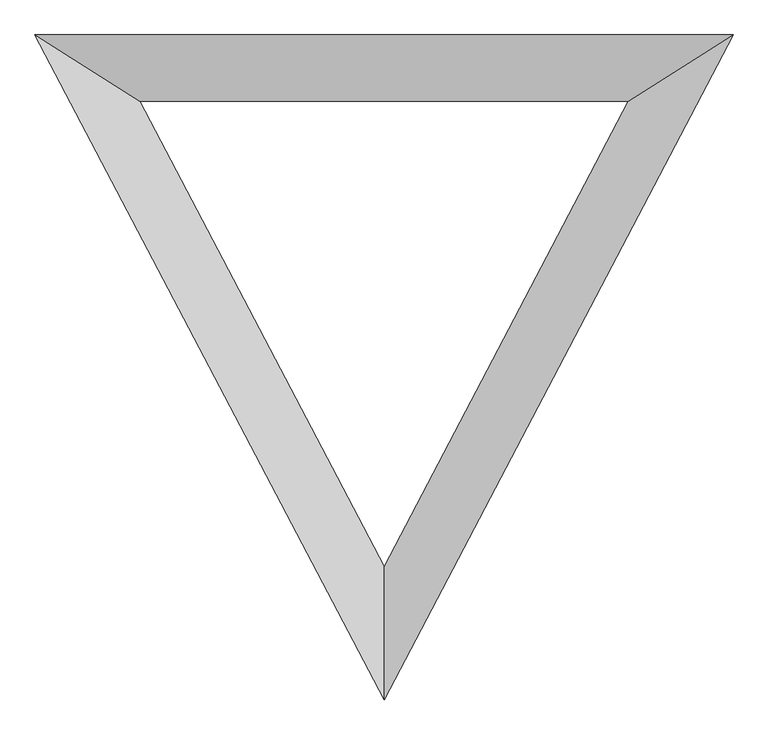
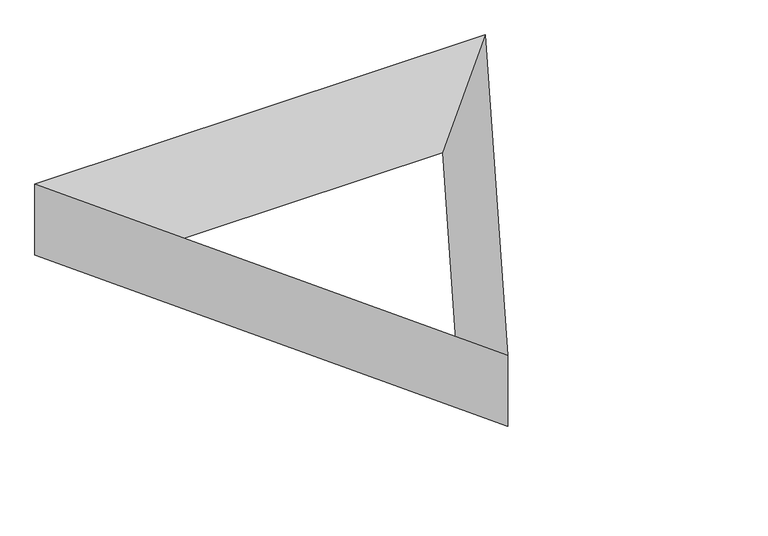
"""IFC4 building model written with IfcOpenShell, lengths in millimetres: plate geometry."""

from ifc_helpers import new_model, si_unit, origin, place, context, project, spatial, faceted_brep, source, transform, mapped, element, save


def plate_a750b372(model_context):
    return source(origin(), model_context, "Body", "Brep", [
        faceted_brep([(6096.0, 2413.3333333, 0.0), (8196.0, 6413.3333333, 0.0), (8196.0, 6413.3333333, 700.0), (6096.0, 2413.3333333, 700.0), (6096.0, 6413.3333333, 0.0), (3996.0, 6413.3333333, 700.0), (3996.0, 6413.3333333, 0.0), (7566.0, 6013.3333333, 0.0), (4626.0, 6013.3333333, 0.0), (6096.0, 3213.3333333, 0.0)], [[[0, 1, 2, 3]], [[2, 1, 4, 5]], [[5, 4, 6]], [[0, 3, 5, 6]], [[1, 0, 6, 4], [7, 8, 9]], [[7, 2, 5, 8]], [[8, 5, 3, 9]], [[2, 7, 9, 3]]]),
    ])


if __name__ == "__main__":
    model = new_model("IFC4")
    model_context = context("Model", 3, world=origin())
    ifc_project = project(units=[si_unit("LENGTHUNIT", "METRE", prefix="MILLI")], contexts=[model_context])
    site = spatial("IfcSite", under=ifc_project)
    building = spatial("IfcBuilding", under=site)
    placement = place(None, origin())
    plate_shape = plate_a750b372(model_context)
    element("IfcPlate", 1, at=placement, inside=building, context=model_context, shape_type="MappedRepresentation", body=[
        mapped(plate_shape, transform((0.0, 0.0, 0.0), x_axis=(1.0, 0.0, 0.0), y_axis=(0.0, 1.0, 0.0), z_axis=(0.0, 0.0, 1.0))),
    ])
    save(model, "model.ifc")
